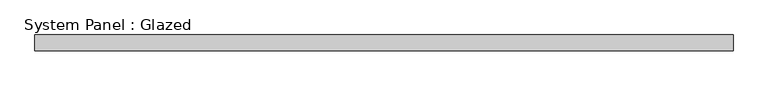
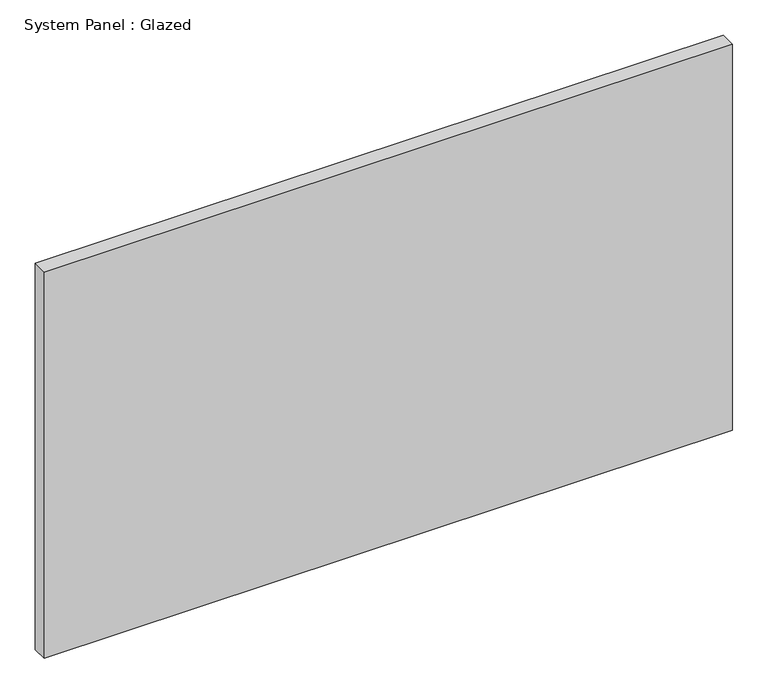
"""IFC4 building model written with IfcOpenShell, lengths in millimetres: plate geometry, System Panel : Glazed."""

from ifc_helpers import new_model, si_unit, origin, origin_with_axes, place, context, project, spatial, polyline, outline, extrude, source, transform, mapped, element, save


def system_panel_glazed_288ccdc2(model_context):
    return source(origin(), model_context, "Body", "SweptSolid", [
        extrude(outline(polyline([(561.975, 19.05), (-561.975, 19.05), (-561.975, 44.45), (561.975, 44.45), (561.975, 19.05)])), origin_with_axes(), (0.0, 0.0, 1.0), 666.75),
    ])


if __name__ == "__main__":
    model = new_model("IFC4")
    model_context = context("Model", 3, world=origin())
    ifc_project = project(units=[si_unit("LENGTHUNIT", "METRE", prefix="MILLI")], contexts=[model_context])
    site = spatial("IfcSite", under=ifc_project)
    building = spatial("IfcBuilding", under=site)
    placement = place(None, origin())
    system_panel_glazed_shape = system_panel_glazed_288ccdc2(model_context)
    element("IfcPlate", 1, ObjectType="System Panel : Glazed", at=placement, inside=building, context=model_context, shape_type="MappedRepresentation", body=[
        mapped(system_panel_glazed_shape, transform((0.0, 0.0, 0.0), x_axis=(1.0, 0.0, 0.0), y_axis=(0.0, 1.0, 0.0), z_axis=(0.0, 0.0, 1.0))),
    ])
    save(model, "model.ifc")
